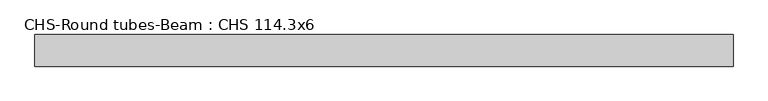
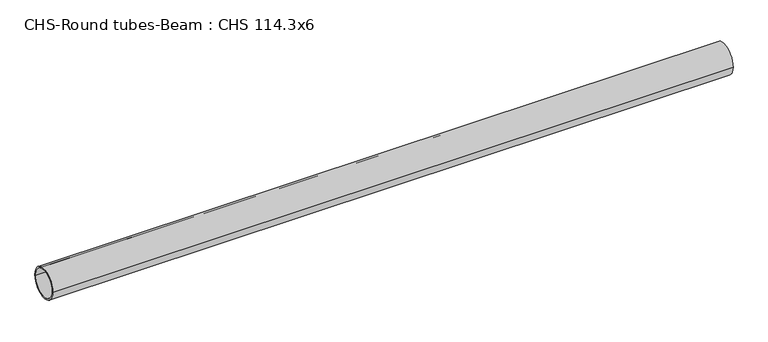
"""IFC4 building model written with IfcOpenShell, lengths in millimetres: beam geometry, CHS-Round tubes-Beam : CHS 114.3x6."""

from ifc_helpers import new_model, si_unit, point, frame, origin, origin_2d, place, context, project, spatial, circle_curve, trimmed, segment, composite_curve, outline, extrude, source, transform, mapped, element, save


def chs_round_tubes_beam_chs_114_3x6_ba8516eb(model_context):
    return source(origin(), model_context, "Body", "SweptSolid", [
        extrude(outline(composite_curve([segment(trimmed(circle_curve(origin_2d(), 57.15), [point((57.15, 0.0))], [point((-57.15, 0.0))], False, "CARTESIAN"), True, "CONTINUOUS"), segment(trimmed(circle_curve(origin_2d(), 57.15), [point((-57.15, 0.0))], [point((57.15, 0.0))], False, "CARTESIAN"), True, "CONTINUOUS")], self_intersect=False), holes=[composite_curve([segment(trimmed(circle_curve(origin_2d(), 51.15), [point((51.15, 0.0))], [point((-51.15, 0.0))], True, "CARTESIAN"), True, "CONTINUOUS"), segment(trimmed(circle_curve(origin_2d(), 51.15), [point((-51.15, 0.0))], [point((51.15, 0.0))], True, "CARTESIAN"), True, "CONTINUOUS")], self_intersect=False)]), frame((-1225.7130742, 0.0, 0.0), z_axis=(1.0, 0.0, 0.0), x_axis=(0.0, 1.0, 0.0)), (0.0, 0.0, 1.0), 2519.8034555),
    ])


if __name__ == "__main__":
    model = new_model("IFC4")
    model_context = context("Model", 3, world=origin())
    ifc_project = project(units=[si_unit("LENGTHUNIT", "METRE", prefix="MILLI")], contexts=[model_context])
    site = spatial("IfcSite", under=ifc_project)
    building = spatial("IfcBuilding", under=site)
    placement = place(None, origin())
    chs_round_tubes_beam_chs_114_3x6_shape = chs_round_tubes_beam_chs_114_3x6_ba8516eb(model_context)
    element("IfcBeam", 1, ObjectType="CHS-Round tubes-Beam : CHS 114.3x6", at=placement, inside=building, context=model_context, shape_type="MappedRepresentation", body=[
        mapped(chs_round_tubes_beam_chs_114_3x6_shape, transform((0.0, 0.0, 0.0), x_axis=(1.0, 0.0, 0.0), y_axis=(0.0, 1.0, 0.0), z_axis=(0.0, 0.0, 1.0))),
    ])
    save(model, "model.ifc")
